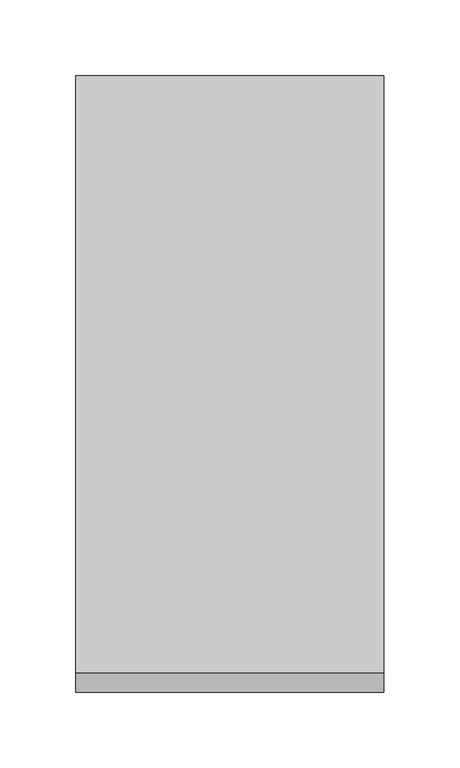
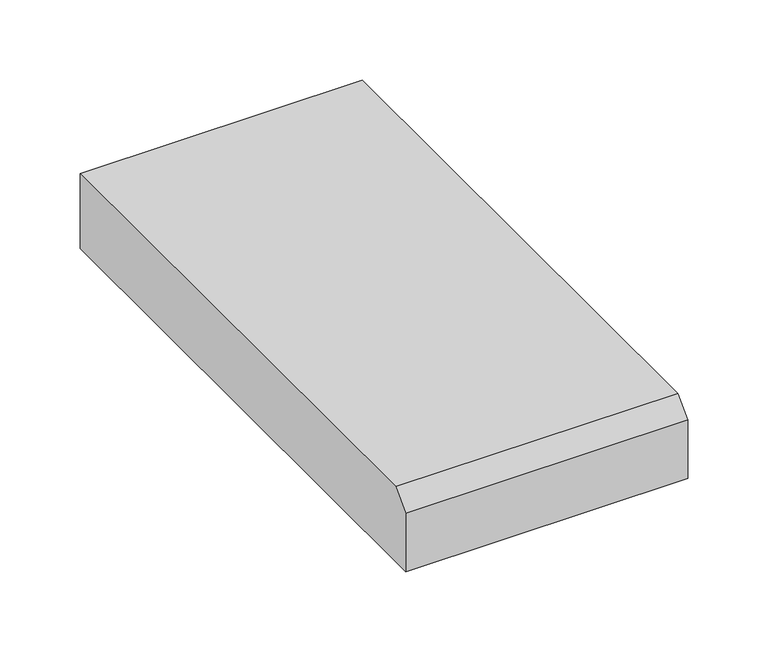
"""IFC4 building model written with IfcOpenShell, lengths in millimetres: proxy geometry."""

from ifc_helpers import new_model, si_unit, frame, origin, place, context, project, spatial, polyline, outline, extrude, source, transform, mapped, element, save


def generic_models_fae5d4e6(model_context):
    return source(origin(), model_context, "Body", "SweptSolid", [
        extrude(outline(polyline([(-406.4, 0.0), (-406.4, 44.45), (-393.7, 57.15), (0.0, 57.15), (0.0, 0.0), (-406.4, 0.0)])), frame((0.0, 0.0, 0.0), z_axis=(1.0, 0.0, 0.0), x_axis=(0.0, 1.0, 0.0)), (0.0, 0.0, 1.0), 203.2),
    ])


if __name__ == "__main__":
    model = new_model("IFC4")
    model_context = context("Model", 3, world=origin())
    ifc_project = project(units=[si_unit("LENGTHUNIT", "METRE", prefix="MILLI")], contexts=[model_context])
    site = spatial("IfcSite", under=ifc_project)
    building = spatial("IfcBuilding", under=site)
    placement = place(None, origin())
    generic_models_shape = generic_models_fae5d4e6(model_context)
    element("IfcBuildingElementProxy", 1, Name="Generic Models", at=placement, inside=building, context=model_context, shape_type="MappedRepresentation", body=[
        mapped(generic_models_shape, transform((0.0, 0.0, 0.0), x_axis=(1.0, 0.0, 0.0), y_axis=(0.0, 1.0, 0.0), z_axis=(0.0, 0.0, 1.0))),
    ])
    save(model, "model.ifc")
